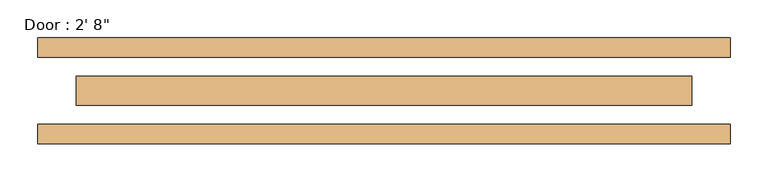
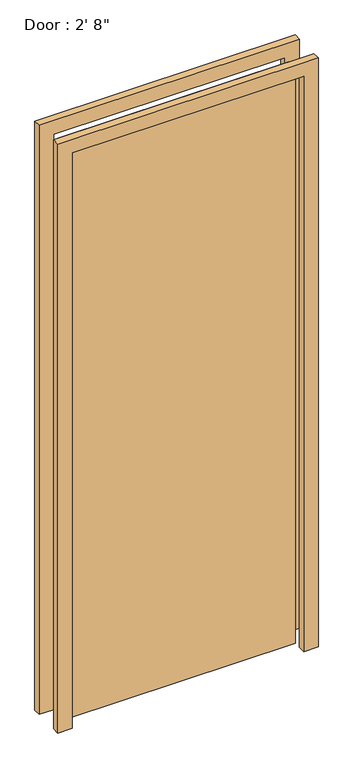
"""IFC4 building model written with IfcOpenShell, lengths in millimetres: door geometry."""

from ifc_helpers import new_model, si_unit, frame, origin, origin_with_axes, place, context, project, spatial, polyline, outline, extrude, source, transform, mapped, element, save


def door_d07a9303(model_context):
    return source(origin(), model_context, "Body", "SweptSolid", [
        extrude(outline(polyline([(-406.4, -19.05), (-406.4, 19.05), (406.4, 19.05), (406.4, -19.05), (-406.4, -19.05)])), origin_with_axes(), (0.0, 0.0, 1.0), 2133.6),
        extrude(outline(polyline([(2133.6, -406.4), (2133.6, 406.4), (0.0, 406.4), (0.0, 457.2), (2184.4, 457.2), (2184.4, -457.2), (0.0, -457.2), (0.0, -406.4), (2133.6, -406.4)])), frame((0.0, 44.45, 0.0), z_axis=(0.0, 1.0, 0.0), x_axis=(0.0, 0.0, 1.0)), (0.0, 0.0, 1.0), 25.4),
        extrude(outline(polyline([(2133.6, -406.4), (2133.6, 406.4), (0.0, 406.4), (0.0, 457.2), (2184.4, 457.2), (2184.4, -457.2), (0.0, -457.2), (0.0, -406.4), (2133.6, -406.4)])), frame((0.0, -69.85, 0.0), z_axis=(0.0, 1.0, 0.0), x_axis=(0.0, 0.0, 1.0)), (0.0, 0.0, 1.0), 25.4),
    ])


if __name__ == "__main__":
    model = new_model("IFC4")
    model_context = context("Model", 3, world=origin())
    ifc_project = project(units=[si_unit("LENGTHUNIT", "METRE", prefix="MILLI")], contexts=[model_context])
    site = spatial("IfcSite", under=ifc_project)
    building = spatial("IfcBuilding", under=site)
    placement = place(None, origin())
    door_shape = door_d07a9303(model_context)
    element("IfcDoor", 1, ObjectType="Door : 2' 8\"", at=placement, inside=building, context=model_context, shape_type="MappedRepresentation", body=[
        mapped(door_shape, transform((0.0, 0.0, 0.0), x_axis=(1.0, 0.0, 0.0), y_axis=(0.0, 1.0, 0.0), z_axis=(0.0, 0.0, 1.0))),
    ])
    save(model, "model.ifc")
